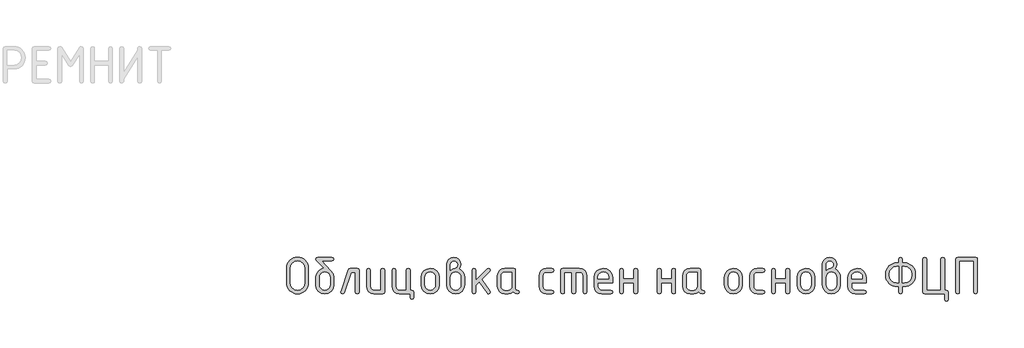
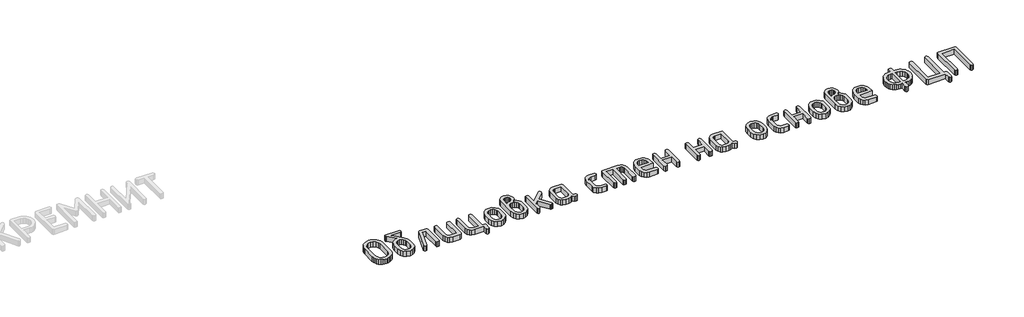
# One storey, part 10 of 33: 1 proxy.
"""IFC4 building model written with IfcOpenShell, lengths in millimetres."""

import ifcopenshell
import ifcopenshell.guid

model = None  # the IFC model being written
_history = None  # IfcOwnerHistory: only IFC2X3 demands one
_inside = {}  # id of a spatial element -> (the spatial element, [elements in it])
_under = {}  # id of a project, library or spatial element -> (it, [spatial elements below it])
_declared = {}  # id of a project -> (the project, [libraries it declares])
_typed = {}  # id of a type object -> (the type object, [elements of that type])
_made_of = {}  # id of a material, layer set ... -> (it, [elements and type objects made of it])


def new_model(schema):
    """Start an empty IFC model of exactly this schema.

    Asked for "IFC4X3", IfcOpenShell would pick the latest addendum, in which some entities
    have other attributes; the version numbers below select the first issue.
    IFC2X3 requires an IfcOwnerHistory on every rooted entity: one is made here for all.
    """
    global model, _history
    if schema == "IFC4X3":
        model = ifcopenshell.file(schema_version=(4, 3, 0, 0))
    else:
        model = ifcopenshell.file(schema=schema)
    _inside.clear()
    _under.clear()
    _declared.clear()
    _typed.clear()
    _made_of.clear()
    _history = None
    if model.schema == "IFC2X3":
        org = make("IfcOrganization", Name="unknown")
        user = make(
            "IfcPersonAndOrganization",
            ThePerson=make("IfcPerson", FamilyName="unknown"),
            TheOrganization=org,
        )
        app = make(
            "IfcApplication",
            ApplicationDeveloper=org,
            Version="unknown",
            ApplicationFullName="unknown",
            ApplicationIdentifier="unknown",
        )
        _history = make(
            "IfcOwnerHistory",
            OwningUser=user,
            OwningApplication=app,
            ChangeAction="ADDED",
            CreationDate=0,
        )
    return model


def make(cls, **values):
    """One entity of the class cls with the attributes given. An attribute that is None is left unset."""
    return model.create_entity(
        cls, **{name: value for name, value in values.items() if value is not None}
    )


def rooted(cls, **values):
    """An entity with a GlobalId (a new one), such as an element, a storey or a relation."""
    return make(cls, GlobalId=ifcopenshell.guid.new(), OwnerHistory=_history, **values)


def si_unit(unit_type, name, prefix=None):
    """IfcSIUnit, for example si_unit("LENGTHUNIT", "METRE", prefix="MILLI")."""
    return make("IfcSIUnit", UnitType=unit_type, Prefix=prefix, Name=name)


def assignment(units):
    """IfcUnitAssignment: the units of a project."""
    return None if units is None else make("IfcUnitAssignment", Units=units)


def point(xyz):
    """IfcCartesianPoint."""
    return None if xyz is None else make("IfcCartesianPoint", Coordinates=xyz)


def direction(xyz):
    """IfcDirection."""
    return None if xyz is None else make("IfcDirection", DirectionRatios=xyz)


def frame(location, z_axis=None, x_axis=None):
    """IfcAxis2Placement3D, a coordinate frame: its origin and axes. An axis left out is left unset."""
    return make(
        "IfcAxis2Placement3D",
        Location=point(location),
        Axis=direction(z_axis),
        RefDirection=direction(x_axis),
    )


def origin():
    """The frame at (0, 0, 0) with its axes left unset."""
    return frame((0.0, 0.0, 0.0))


def origin_with_axes():
    """The frame at (0, 0, 0) with the z axis (0, 0, 1) and the x axis (1, 0, 0) written out."""
    return frame((0.0, 0.0, 0.0), z_axis=(0.0, 0.0, 1.0), x_axis=(1.0, 0.0, 0.0))


def place(relative_to, where):
    """IfcLocalPlacement: puts the frame where relative to a parent placement (None: the world)."""
    return make(
        "IfcLocalPlacement", PlacementRelTo=relative_to, RelativePlacement=where
    )


def context(
    kind, dimensions, precision=None, world=None, true_north=None, identifier=None
):
    """IfcGeometricRepresentationContext, for example the 3D "Model" context."""
    return make(
        "IfcGeometricRepresentationContext",
        ContextIdentifier=identifier,
        ContextType=kind,
        CoordinateSpaceDimension=dimensions,
        Precision=precision,
        WorldCoordinateSystem=world,
        TrueNorth=true_north,
    )


def project(units=None, contexts=None):
    """IfcProject with its units and contexts."""
    return rooted(
        "IfcProject",
        Name="project",
        RepresentationContexts=contexts,
        UnitsInContext=assignment(units),
    )


def spatial(cls, under=None, at=None, **own):
    """A site, building, storey or space (cls), placed at a placement, below another one or the project."""
    s = rooted(cls, ObjectPlacement=at, **own)
    if under is not None:
        _under.setdefault(under.id(), (under, []))[1].append(s)
    return s


def polyline(points):
    """IfcPolyline through the points."""
    return make("IfcPolyline", Points=[point(p) for p in points])


def outline(outer, holes=None, kind="AREA"):
    """IfcArbitraryClosedProfileDef: a profile drawn as a closed curve; with holes, ...WithVoids."""
    if holes is None:
        return make("IfcArbitraryClosedProfileDef", ProfileType=kind, OuterCurve=outer)
    return make(
        "IfcArbitraryProfileDefWithVoids",
        ProfileType=kind,
        OuterCurve=outer,
        InnerCurves=holes,
    )


def extrude(swept, where, along, depth):
    """IfcExtrudedAreaSolid: the profile swept, set in the frame where, extruded along a direction by depth."""
    return make(
        "IfcExtrudedAreaSolid",
        SweptArea=swept,
        Position=where,
        ExtrudedDirection=direction(along),
        Depth=depth,
    )


def shape(context_of_items, identifier, shape_type, items):
    """IfcShapeRepresentation: the items that make up one representation, for example the "Body"."""
    return make(
        "IfcShapeRepresentation",
        ContextOfItems=context_of_items,
        RepresentationIdentifier=identifier,
        RepresentationType=shape_type,
        Items=items,
    )


def made_of(thing, what):
    """Note that an element or type object is made of a material, layer set ...; save() writes the relation."""
    if what is not None:
        _made_of.setdefault(what.id(), (what, []))[1].append(thing)
    return thing


def element(
    cls,
    number,
    at=None,
    inside=None,
    cuts=None,
    type_object=None,
    material=None,
    context=None,
    identifier="Body",
    shape_type=None,
    held_by="IfcProductDefinitionShape",
    body=None,
    shapes=None,
    **own,
):
    """One element of the class cls, such as IfcWall. Its Tag is "e" and its number.

    at: its placement. inside: the storey or other place that contains it. cuts: it is an
    opening in that element (IfcRelVoidsElement). A single representation is given by context,
    identifier, shape_type and body (its items); several are given by shapes. held_by: the class
    of the entity that holds the representations. save() writes the other relations.
    """
    e = rooted(cls, Tag="e%d" % number, ObjectPlacement=at, **own)
    if body is not None:
        shapes = [shape(context, identifier, shape_type, body)]
    if shapes is not None:
        e.Representation = make(held_by, Representations=shapes)
    if inside is not None:
        _inside.setdefault(inside.id(), (inside, []))[1].append(e)
    if cuts is not None:
        rooted(
            "IfcRelVoidsElement", RelatingBuildingElement=cuts, RelatedOpeningElement=e
        )
    if type_object is not None:
        _typed.setdefault(type_object.id(), (type_object, []))[1].append(e)
    return made_of(e, material)


def aggregate(whole, parts):
    """IfcRelAggregates: a whole, such as a stair, and the parts it consists of."""
    return rooted("IfcRelAggregates", RelatingObject=whole, RelatedObjects=parts)


def save(model, path):
    """Write the relations noted so far, then the file.

    IfcRelAggregates (storeys below a building ...), IfcRelContainedInSpatialStructure (elements
    in a storey), IfcRelDefinesByType, IfcRelAssociatesMaterial and IfcRelDeclares: one each for
    every whole, place, type object, material and project.
    """
    for whole, parts in _under.values():
        aggregate(whole, parts)
    for where, things in _inside.values():
        rooted(
            "IfcRelContainedInSpatialStructure",
            RelatedElements=things,
            RelatingStructure=where,
        )
    for kind, things in _typed.values():
        rooted("IfcRelDefinesByType", RelatedObjects=things, RelatingType=kind)
    for what, things in _made_of.values():
        rooted("IfcRelAssociatesMaterial", RelatedObjects=things, RelatingMaterial=what)
    for by, libraries in _declared.values():
        rooted("IfcRelDeclares", RelatingContext=by, RelatedDefinitions=libraries)
    model.write(path)


model = new_model("IFC4")

# Units and contexts
model_context = context("Model", 3, world=origin())
ifc_project = project(units=[si_unit("LENGTHUNIT", "METRE", prefix="MILLI")], contexts=[model_context])

# Site, building, storey
site = spatial("IfcSite", under=ifc_project)
building = spatial("IfcBuilding", under=site)
storey = spatial("IfcBuildingStorey", under=building, Elevation=0.0)

# Proxy
placement = place(None, origin())
element("IfcBuildingElementProxy", 1, Name="Generic Models", at=placement, inside=storey, context=model_context, shape_type="SweptSolid", body=[
    extrude(outline(polyline([(7416.5624261, -12574.4677826), (7414.9080302, -12592.7014441), (7409.9448427, -12609.5530798), (7401.6728635, -12625.0226897), (7390.0920926, -12639.1102738), (7376.1709568, -12650.8322736), (7360.8778831, -12659.2051306), (7344.2128713, -12664.2288448), (7326.1759215, -12665.9034162), (7308.1389717, -12664.2288448), (7291.47396, -12659.2051306), (7276.1808862, -12650.8322736), (7262.2597505, -12639.1102738), (7250.6789796, -12625.0226897), (7242.4070004, -12609.5530798), (7237.4438128, -12592.7014441), (7235.789417, -12574.4677826), (7235.789417, -12452.607406), (7237.4438128, -12434.3737445), (7242.4070004, -12417.5221088), (7250.6789796, -12402.0524989), (7262.2597505, -12387.9649148), (7276.1808862, -12376.242915), (7291.47396, -12367.870058), (7308.1389717, -12362.8463438), (7326.1759215, -12361.1717724), (7344.3112272, -12362.8387779), (7361.0291998, -12367.8397946), (7376.3298394, -12376.1748225), (7390.2131459, -12387.8438614), (7401.740956, -12401.8936164), (7409.975106, -12417.3707921), (7414.9155961, -12434.2753886), (7416.5624261, -12452.607406), (7416.5624261, -12574.4677826)]), holes=[polyline([(7385.5727674, -12574.2256759), (7385.5727674, -12452.8495127), (7381.2652855, -12429.3248108), (7368.3428399, -12409.7545186), (7349.1861466, -12396.5597029), (7326.1759215, -12392.1614311), (7303.1656964, -12396.5597029), (7284.0090031, -12409.7545186), (7271.0865575, -12429.3248108), (7266.7790757, -12452.8495127), (7266.7790757, -12574.2256759), (7271.0865575, -12597.7503778), (7284.0090031, -12617.3206701), (7303.1656964, -12630.5154857), (7326.1759215, -12634.9137575), (7349.1861466, -12630.5154857), (7368.3428399, -12617.3206701), (7381.2652855, -12597.7503778), (7385.5727674, -12574.2256759)])]), origin_with_axes(), (0.0, 0.0, 1.0), 50.0),
    extrude(outline(polyline([(7628.3250938, -12529.0324237), (7628.3250938, -12589.8819097), (7622.8474296, -12619.106207), (7606.4144367, -12643.6699502), (7582.2138536, -12660.3450497), (7553.4334187, -12665.9034162), (7524.6529837, -12660.3349619), (7500.4524006, -12643.6295991), (7484.0194077, -12619.015417), (7478.5417435, -12589.7205053), (7478.5417435, -12528.7903169), (7481.1343028, -12507.3588293), (7488.9119808, -12488.9839389), (7501.8747775, -12473.6656457), (7520.0226929, -12461.4039497), (7535.7394534, -12454.8065419), (7550.2860314, -12452.607406), (7483.7066866, -12385.6245499), (7478.5417435, -12376.6666017), (7482.2742219, -12365.0454797), (7493.4716572, -12361.1717724), (7613.3951801, -12361.1717724), (7624.5926154, -12365.0454797), (7628.3250938, -12376.6666017), (7624.5926154, -12388.2877237), (7613.3951801, -12392.1614311), (7528.4157254, -12392.1614311), (7603.791614, -12472.5408583), (7622.1917239, -12499.8182142), (7628.3250938, -12529.0324237)]), holes=[polyline([(7597.3354351, -12589.3976963), (7597.3354351, -12528.7903169), (7594.1174335, -12511.3586339), (7584.4634285, -12496.6708269), (7570.2699227, -12486.6839252), (7553.4334187, -12483.354958), (7536.5969146, -12486.6839252), (7522.4034088, -12496.6708269), (7512.7494038, -12511.3586339), (7509.5314022, -12528.7903169), (7509.5314022, -12589.3976963), (7512.7191405, -12606.9907838), (7522.2823555, -12621.6785908), (7536.4455979, -12631.6049659), (7553.4334187, -12634.9137575), (7570.2699227, -12631.5847903), (7584.4634285, -12621.5978886), (7594.1174335, -12606.889906), (7597.3354351, -12589.3976963)])]), origin_with_axes(), (0.0, 0.0, 1.0), 50.0),
    extrude(outline(polyline([(7763.6627439, -12454.1407485), (7824.5929323, -12454.1407485), (7836.2140543, -12457.913578), (7840.0877616, -12469.2320666), (7840.0877616, -12650.8120981), (7836.2140543, -12662.1305867), (7824.5929323, -12665.9034162), (7812.9718103, -12662.1305867), (7809.0981029, -12650.8120981), (7809.0981029, -12485.1304072), (7774.4768436, -12485.1304072), (7717.3396604, -12655.6542322), (7712.0334883, -12663.3411202), (7703.0553646, -12665.9034162), (7691.6763493, -12662.07006), (7687.8833442, -12650.5699914), (7688.6096643, -12645.9699639), (7748.4907235, -12466.4881906), (7754.3819868, -12457.227609), (7763.6627439, -12454.1407485)])), origin_with_axes(), (0.0, 0.0, 1.0), 50.0),
    extrude(outline(polyline([(8051.8504294, -12469.2320666), (8051.8504294, -12650.8120981), (8048.0977754, -12662.1305867), (8036.8398135, -12665.9034162), (7961.9481383, -12665.9034162), (7938.7260698, -12661.5253199), (7919.4180598, -12648.391031), (7906.4048242, -12628.8812654), (7902.067079, -12605.3767391), (7902.067079, -12469.2320666), (7905.9407864, -12457.913578), (7917.5619084, -12454.1407485), (7929.1830304, -12457.913578), (7933.0567377, -12469.2320666), (7933.0567377, -12604.8118234), (7935.2155225, -12616.2412776), (7941.691877, -12625.9961604), (7951.1743897, -12632.6843583), (7962.3516495, -12634.9137575), (8020.8607707, -12634.9137575), (8020.8607707, -12469.2320666), (8024.734478, -12457.913578), (8036.3556, -12454.1407485), (8047.9767221, -12457.913578), (8051.8504294, -12469.2320666)])), origin_with_axes(), (0.0, 0.0, 1.0), 50.0),
    extrude(outline(polyline([(8279.1079265, -12634.9137575), (8290.7290485, -12638.7874649), (8294.6027559, -12650.4085869), (8294.6027559, -12696.8930749), (8290.7290485, -12708.514197), (8279.1079265, -12712.3879043), (8267.4868045, -12708.514197), (8263.6130972, -12696.8930749), (8263.6130972, -12665.9034162), (8173.710806, -12665.9034162), (8150.4887376, -12661.4950566), (8131.1807276, -12648.2699776), (8118.167492, -12628.7299487), (8113.8297468, -12605.3767391), (8113.8297468, -12469.2320666), (8117.7034541, -12457.913578), (8129.3245761, -12454.1407485), (8140.9456982, -12457.913578), (8144.8194055, -12469.2320666), (8144.8194055, -12604.8118234), (8146.9781903, -12616.2412776), (8153.4545448, -12625.9961604), (8162.9370575, -12632.6843583), (8174.1143172, -12634.9137575), (8232.6234385, -12634.9137575), (8232.6234385, -12469.2320666), (8236.4971458, -12457.913578), (8248.1182678, -12454.1407485), (8259.7393898, -12457.913578), (8263.6130972, -12469.2320666), (8263.6130972, -12634.9137575), (8279.1079265, -12634.9137575)])), origin_with_axes(), (0.0, 0.0, 1.0), 50.0),
    extrude(outline(polyline([(8356.5820733, -12590.2854209), (8356.5820733, -12529.7587438), (8362.0597375, -12500.6857632), (8378.4927304, -12476.2531612), (8402.6933135, -12459.6688516), (8431.4737485, -12454.1407485), (8460.5568168, -12459.608325), (8484.6968732, -12476.0110545), (8500.948286, -12500.3831298), (8506.3654236, -12529.7587438), (8506.3654236, -12590.2854209), (8500.8877594, -12619.3584015), (8484.4547665, -12643.7910035), (8460.2541834, -12660.3753131), (8431.4737485, -12665.9034162), (8402.6933135, -12660.3753131), (8378.4927304, -12643.7910035), (8362.0597375, -12619.3584015), (8356.5820733, -12590.2854209)]), holes=[polyline([(8475.3757649, -12589.3976963), (8475.3757649, -12528.7903169), (8472.1577633, -12511.3586339), (8462.5037583, -12496.6708269), (8448.3102525, -12486.6839252), (8431.4737485, -12483.354958), (8414.6372444, -12486.6839252), (8400.4437386, -12496.6708269), (8390.7897336, -12511.3586339), (8387.571732, -12528.7903169), (8387.571732, -12589.3976963), (8390.7594703, -12606.9907838), (8400.3226853, -12621.6785908), (8414.4859277, -12631.6049659), (8431.4737485, -12634.9137575), (8448.3102525, -12631.5847903), (8462.5037583, -12621.5978886), (8472.1577633, -12606.889906), (8475.3757649, -12589.3976963)])]), origin_with_axes(), (0.0, 0.0, 1.0), 50.0),
    extrude(outline(polyline([(8673.1769459, -12458.8214782), (8691.7081968, -12470.2105812), (8705.9824049, -12486.784803), (8715.0916698, -12506.869572), (8718.1280914, -12528.7903169), (8718.1280914, -12589.7205053), (8712.6504271, -12619.1667337), (8696.2174343, -12643.7506524), (8672.0168512, -12660.3652253), (8643.2364162, -12665.9034162), (8614.3046646, -12660.3349619), (8590.1343448, -12643.6295991), (8573.792142, -12619.015417), (8568.344741, -12589.7205053), (8568.344741, -12422.1019607), (8572.6723985, -12398.4965566), (8585.6553707, -12378.8455621), (8604.8322396, -12365.5902198), (8627.7415869, -12361.1717724), (8650.751812, -12365.6204831), (8669.9085053, -12378.9666154), (8682.8309509, -12398.6478733), (8687.1384327, -12422.1019607), (8683.648061, -12442.8222598), (8673.1769459, -12458.8214782)]), holes=[polyline([(8687.1384327, -12589.3976963), (8687.1384327, -12528.7903169), (8683.9506944, -12511.3586339), (8674.3874794, -12496.6708269), (8660.224237, -12486.6839252), (8643.2364162, -12483.354958), (8626.2485955, -12486.6839252), (8612.0853531, -12496.6708269), (8602.5221381, -12511.3586339), (8599.3343997, -12528.7903169), (8599.3343997, -12589.3976963), (8602.5221381, -12606.9907838), (8612.0853531, -12621.6785908), (8626.2485955, -12631.6049659), (8643.2364162, -12634.9137575), (8660.224237, -12631.5847903), (8674.3874794, -12621.5978886), (8683.9506944, -12606.889906), (8687.1384327, -12589.3976963)]), polyline([(8599.3343997, -12468.9092577), (8617.8152118, -12457.5907691), (8634.6819792, -12453.8179395), (8643.7609808, -12451.1749413), (8652.1136622, -12443.2459466), (8657.9847499, -12433.3800982), (8659.9417791, -12423.4738987), (8657.7628187, -12411.6711967), (8651.2259376, -12401.9264016), (8641.460967, -12395.3895205), (8629.5977383, -12393.2105601), (8617.946353, -12395.4197839), (8608.1712946, -12402.047455), (8601.5436235, -12411.8225134), (8599.3343997, -12423.4738987), (8599.3343997, -12468.9092577)])]), origin_with_axes(), (0.0, 0.0, 1.0), 50.0),
    extrude(outline(polyline([(8811.0970675, -12553.5659035), (8906.3257062, -12458.4986692), (8917.1398059, -12454.1407485), (8928.5188212, -12457.913578), (8932.3118263, -12469.2320666), (8927.7117988, -12479.8040596), (8861.132454, -12546.3027022), (8929.3258435, -12642.0962566), (8932.3118263, -12650.9735025), (8928.5188212, -12662.1709378), (8917.1398059, -12665.9034162), (8909.997658, -12664.2893715), (8904.550257, -12659.4472373), (8839.3428502, -12567.8501993), (8811.0970675, -12596.0959819), (8811.0970675, -12650.7313958), (8807.2233602, -12662.1104111), (8795.6022382, -12665.9034162), (8783.9811162, -12662.1305867), (8780.1074088, -12650.8120981), (8780.1074088, -12469.2320666), (8783.9811162, -12457.913578), (8795.6022382, -12454.1407485), (8807.2233602, -12457.913578), (8811.0970675, -12469.2320666), (8811.0970675, -12553.5659035)])), origin_with_axes(), (0.0, 0.0, 1.0), 50.0),
    extrude(outline(polyline([(9171.9167655, -12650.8120981), (9168.143936, -12662.1305867), (9156.8254474, -12665.9034162), (9137.6788418, -12661.88848), (9122.3655925, -12649.8436712), (9103.9453071, -12661.88848), (9081.7723677, -12665.9034162), (9051.7511359, -12665.9034162), (9028.5290674, -12661.5253199), (9009.2210574, -12648.391031), (8996.2078218, -12628.8812654), (8991.8700766, -12605.3767391), (8991.8700766, -12514.6674256), (8996.2078218, -12491.1628993), (9009.2210574, -12471.6531337), (9028.5290674, -12458.5188448), (9051.7511359, -12454.1407485), (9126.642811, -12454.1407485), (9137.900773, -12457.913578), (9141.653427, -12469.2320666), (9141.653427, -12620.5487595), (9145.4363443, -12631.8672481), (9156.7850963, -12635.6400777), (9168.1338482, -12639.4330828), (9171.9167655, -12650.8120981)]), holes=[polyline([(9110.6637683, -12485.1304072), (9052.154647, -12485.1304072), (9040.8765095, -12487.3194553), (9031.4141723, -12493.8865998), (9024.9983446, -12503.5607804), (9022.8597353, -12515.0709368), (9022.8597353, -12604.9732279), (9025.0185201, -12616.3825066), (9031.4948746, -12626.0768627), (9040.9773873, -12632.7045338), (9052.154647, -12634.9137575), (9081.3688565, -12634.9137575), (9092.646994, -12632.7247094), (9102.1093312, -12626.1575649), (9108.525159, -12616.4833844), (9110.6637683, -12604.9732279), (9110.6637683, -12485.1304072)])]), origin_with_axes(), (0.0, 0.0, 1.0), 50.0),
    extrude(outline(polyline([(9368.9109241, -12515.0709368), (9368.9109241, -12604.9732279), (9371.1504112, -12616.3825066), (9377.8688723, -12626.0768627), (9387.674194, -12632.7045338), (9399.1742627, -12634.9137575), (9444.6903239, -12634.9137575), (9456.0088125, -12638.7874649), (9459.7816421, -12650.4085869), (9456.0088125, -12662.0297089), (9444.6903239, -12665.9034162), (9399.1742627, -12665.9034162), (9375.6293853, -12661.5253199), (9355.8371618, -12648.391031), (9342.4002395, -12628.8812654), (9337.9212654, -12605.3767391), (9337.9212654, -12514.6674256), (9342.4002395, -12491.1628993), (9355.8371618, -12471.6531337), (9375.6293853, -12458.5188448), (9399.1742627, -12454.1407485), (9444.6903239, -12454.1407485), (9456.0088125, -12458.0144558), (9459.7816421, -12469.6355778), (9456.0088125, -12481.2566998), (9444.6903239, -12485.1304072), (9399.1742627, -12485.1304072), (9387.5228773, -12487.3194553), (9377.747819, -12493.8865998), (9371.1201478, -12503.5607804), (9368.9109241, -12515.0709368)])), origin_with_axes(), (0.0, 0.0, 1.0), 50.0),
    extrude(outline(polyline([(9534.1891038, -12454.1407485), (9673.642568, -12454.1407485), (9697.5304299, -12458.5491081), (9717.5445845, -12471.7741871), (9731.1025601, -12491.314216), (9735.6218854, -12514.6674256), (9735.6218854, -12650.8120981), (9731.748178, -12662.1305867), (9720.127056, -12665.9034162), (9708.505934, -12662.1305867), (9704.6322267, -12650.8120981), (9704.6322267, -12515.2323413), (9702.4028274, -12503.5002537), (9695.7146296, -12493.8058976), (9685.7378156, -12487.2992798), (9673.642568, -12485.1304072), (9642.6529093, -12485.1304072), (9642.6529093, -12650.8120981), (9638.7792019, -12662.1305867), (9627.1580799, -12665.9034162), (9615.5369579, -12662.1305867), (9611.6632506, -12650.8120981), (9611.6632506, -12485.1304072), (9549.6839332, -12485.1304072), (9549.6839332, -12650.8120981), (9545.8102258, -12662.1305867), (9534.1891038, -12665.9034162), (9522.5679818, -12662.1305867), (9518.6942745, -12650.8120981), (9518.6942745, -12469.2320666), (9522.5679818, -12457.913578), (9534.1891038, -12454.1407485)])), origin_with_axes(), (0.0, 0.0, 1.0), 50.0),
    extrude(outline(polyline([(9828.5908615, -12572.9344401), (9828.5908615, -12603.9240988), (9830.8303485, -12615.7167131), (9837.5488097, -12625.7540537), (9847.3541314, -12632.6238316), (9858.8542, -12634.9137575), (9934.6335998, -12634.9137575), (9946.0126151, -12638.7874649), (9949.8056202, -12650.4085869), (9946.0126151, -12662.0297089), (9934.6335998, -12665.9034162), (9858.8542, -12665.9034162), (9835.3093226, -12661.5253199), (9815.5170992, -12648.391031), (9802.0801769, -12628.8812654), (9797.6012028, -12605.3767391), (9797.6012028, -12529.7587438), (9803.220096, -12500.6857632), (9820.0767756, -12476.2531612), (9844.8019232, -12459.6688516), (9874.0262204, -12454.1407485), (9903.4724489, -12459.5074472), (9927.8949631, -12475.6075433), (9944.327956, -12499.5357563), (9949.8056202, -12528.3868058), (9949.8056202, -12572.9344401), (9828.5908615, -12572.9344401)]), holes=[polyline([(9874.0262204, -12481.3374021), (9856.5945374, -12484.6663693), (9841.9067304, -12494.653271), (9831.9198287, -12509.341078), (9828.5908615, -12526.772761), (9828.5908615, -12541.9447814), (9919.4615794, -12541.9447814), (9919.4615794, -12526.772761), (9916.1326122, -12509.341078), (9906.1457105, -12494.653271), (9891.4579035, -12484.6663693), (9874.0262204, -12481.3374021)])]), origin_with_axes(), (0.0, 0.0, 1.0), 50.0),
    extrude(outline(polyline([(10040.3535292, -12572.9344401), (10040.3535292, -12650.4085869), (10036.4798219, -12662.0297089), (10024.8586999, -12665.9034162), (10013.2375779, -12662.1305867), (10009.3638705, -12650.8120981), (10009.3638705, -12469.2320666), (10013.2375779, -12457.913578), (10024.8586999, -12454.1407485), (10036.4798219, -12457.7925247), (10040.3535292, -12468.7478532), (10040.3535292, -12541.9447814), (10128.1575622, -12541.9447814), (10128.1575622, -12468.7478532), (10132.0312696, -12457.7925247), (10143.6523916, -12454.1407485), (10155.2735136, -12457.913578), (10159.1472209, -12469.2320666), (10159.1472209, -12650.8120981), (10155.2735136, -12662.1305867), (10143.6523916, -12665.9034162), (10132.0312696, -12662.0297089), (10128.1575622, -12650.4085869), (10128.1575622, -12572.9344401), (10040.3535292, -12572.9344401)])), origin_with_axes(), (0.0, 0.0, 1.0), 50.0),
    extrude(outline(polyline([(10355.4150594, -12572.9344401), (10355.4150594, -12650.4085869), (10351.541352, -12662.0297089), (10339.92023, -12665.9034162), (10328.299108, -12662.1305867), (10324.4254007, -12650.8120981), (10324.4254007, -12469.2320666), (10328.299108, -12457.913578), (10339.92023, -12454.1407485), (10351.541352, -12457.7925247), (10355.4150594, -12468.7478532), (10355.4150594, -12541.9447814), (10443.2190923, -12541.9447814), (10443.2190923, -12468.7478532), (10447.0927997, -12457.7925247), (10458.7139217, -12454.1407485), (10470.3350437, -12457.913578), (10474.208751, -12469.2320666), (10474.208751, -12650.8120981), (10470.3350437, -12662.1305867), (10458.7139217, -12665.9034162), (10447.0927997, -12662.0297089), (10443.2190923, -12650.4085869), (10443.2190923, -12572.9344401), (10355.4150594, -12572.9344401)])), origin_with_axes(), (0.0, 0.0, 1.0), 50.0),
    extrude(outline(polyline([(10716.2347574, -12650.8120981), (10712.4619278, -12662.1305867), (10701.1434392, -12665.9034162), (10681.9968337, -12661.88848), (10666.6835844, -12649.8436712), (10648.2632989, -12661.88848), (10626.0903596, -12665.9034162), (10596.0691277, -12665.9034162), (10572.8470592, -12661.5253199), (10553.5390492, -12648.391031), (10540.5258136, -12628.8812654), (10536.1880684, -12605.3767391), (10536.1880684, -12514.6674256), (10540.5258136, -12491.1628993), (10553.5390492, -12471.6531337), (10572.8470592, -12458.5188448), (10596.0691277, -12454.1407485), (10670.9608029, -12454.1407485), (10682.2187648, -12457.913578), (10685.9714188, -12469.2320666), (10685.9714188, -12620.5487595), (10689.7543361, -12631.8672481), (10701.1030881, -12635.6400777), (10712.4518401, -12639.4330828), (10716.2347574, -12650.8120981)]), holes=[polyline([(10654.9817601, -12485.1304072), (10596.4726389, -12485.1304072), (10585.1945014, -12487.3194553), (10575.7321642, -12493.8865998), (10569.3163364, -12503.5607804), (10567.1777271, -12515.0709368), (10567.1777271, -12604.9732279), (10569.3365119, -12616.3825066), (10575.8128664, -12626.0768627), (10585.2953792, -12632.7045338), (10596.4726389, -12634.9137575), (10625.6868484, -12634.9137575), (10636.9649859, -12632.7247094), (10646.4273231, -12626.1575649), (10652.8431508, -12616.4833844), (10654.9817601, -12604.9732279), (10654.9817601, -12485.1304072)])]), origin_with_axes(), (0.0, 0.0, 1.0), 50.0),
    extrude(outline(polyline([(10882.2392572, -12590.2854209), (10882.2392572, -12529.7587438), (10887.7169215, -12500.6857632), (10904.1499144, -12476.2531612), (10928.3504974, -12459.6688516), (10957.1309324, -12454.1407485), (10986.2140008, -12459.608325), (11010.3540572, -12476.0110545), (11026.60547, -12500.3831298), (11032.0226076, -12529.7587438), (11032.0226076, -12590.2854209), (11026.5449433, -12619.3584015), (11010.1119505, -12643.7910035), (10985.9113674, -12660.3753131), (10957.1309324, -12665.9034162), (10928.3504974, -12660.3753131), (10904.1499144, -12643.7910035), (10887.7169215, -12619.3584015), (10882.2392572, -12590.2854209)]), holes=[polyline([(11001.0329489, -12589.3976963), (11001.0329489, -12528.7903169), (10997.8149472, -12511.3586339), (10988.1609422, -12496.6708269), (10973.9674365, -12486.6839252), (10957.1309324, -12483.354958), (10940.2944284, -12486.6839252), (10926.1009226, -12496.6708269), (10916.4469176, -12511.3586339), (10913.2289159, -12528.7903169), (10913.2289159, -12589.3976963), (10916.4166543, -12606.9907838), (10925.9798693, -12621.6785908), (10940.1431117, -12631.6049659), (10957.1309324, -12634.9137575), (10973.9674365, -12631.5847903), (10988.1609422, -12621.5978886), (10997.8149472, -12606.889906), (11001.0329489, -12589.3976963)])]), origin_with_axes(), (0.0, 0.0, 1.0), 50.0),
    extrude(outline(polyline([(11124.9915837, -12515.0709368), (11124.9915837, -12604.9732279), (11127.2310708, -12616.3825066), (11133.9495319, -12626.0768627), (11143.7548536, -12632.7045338), (11155.2549223, -12634.9137575), (11200.7709835, -12634.9137575), (11212.0894721, -12638.7874649), (11215.8623017, -12650.4085869), (11212.0894721, -12662.0297089), (11200.7709835, -12665.9034162), (11155.2549223, -12665.9034162), (11131.7100449, -12661.5253199), (11111.9178214, -12648.391031), (11098.4808991, -12628.8812654), (11094.001925, -12605.3767391), (11094.001925, -12514.6674256), (11098.4808991, -12491.1628993), (11111.9178214, -12471.6531337), (11131.7100449, -12458.5188448), (11155.2549223, -12454.1407485), (11200.7709835, -12454.1407485), (11212.0894721, -12458.0144558), (11215.8623017, -12469.6355778), (11212.0894721, -12481.2566998), (11200.7709835, -12485.1304072), (11155.2549223, -12485.1304072), (11143.6035369, -12487.3194553), (11133.8284786, -12493.8865998), (11127.2008074, -12503.5607804), (11124.9915837, -12515.0709368)])), origin_with_axes(), (0.0, 0.0, 1.0), 50.0),
    extrude(outline(polyline([(11305.7645928, -12572.9344401), (11305.7645928, -12650.4085869), (11301.8908855, -12662.0297089), (11290.2697634, -12665.9034162), (11278.6486414, -12662.1305867), (11274.7749341, -12650.8120981), (11274.7749341, -12469.2320666), (11278.6486414, -12457.913578), (11290.2697634, -12454.1407485), (11301.8908855, -12457.7925247), (11305.7645928, -12468.7478532), (11305.7645928, -12541.9447814), (11393.5686258, -12541.9447814), (11393.5686258, -12468.7478532), (11397.4423331, -12457.7925247), (11409.0634551, -12454.1407485), (11420.6845771, -12457.913578), (11424.5582845, -12469.2320666), (11424.5582845, -12650.8120981), (11420.6845771, -12662.1305867), (11409.0634551, -12665.9034162), (11397.4423331, -12662.0297089), (11393.5686258, -12650.4085869), (11393.5686258, -12572.9344401), (11305.7645928, -12572.9344401)])), origin_with_axes(), (0.0, 0.0, 1.0), 50.0),
    extrude(outline(polyline([(11486.5376019, -12590.2854209), (11486.5376019, -12529.7587438), (11492.0152661, -12500.6857632), (11508.448259, -12476.2531612), (11532.6488421, -12459.6688516), (11561.4292771, -12454.1407485), (11590.5123454, -12459.608325), (11614.6524018, -12476.0110545), (11630.9038146, -12500.3831298), (11636.3209522, -12529.7587438), (11636.3209522, -12590.2854209), (11630.843288, -12619.3584015), (11614.4102951, -12643.7910035), (11590.209712, -12660.3753131), (11561.4292771, -12665.9034162), (11532.6488421, -12660.3753131), (11508.448259, -12643.7910035), (11492.0152661, -12619.3584015), (11486.5376019, -12590.2854209)]), holes=[polyline([(11605.3312935, -12589.3976963), (11605.3312935, -12528.7903169), (11602.1132919, -12511.3586339), (11592.4592869, -12496.6708269), (11578.2657811, -12486.6839252), (11561.4292771, -12483.354958), (11544.592773, -12486.6839252), (11530.3992672, -12496.6708269), (11520.7452622, -12511.3586339), (11517.5272606, -12528.7903169), (11517.5272606, -12589.3976963), (11520.7149989, -12606.9907838), (11530.2782139, -12621.6785908), (11544.4414563, -12631.6049659), (11561.4292771, -12634.9137575), (11578.2657811, -12631.5847903), (11592.4592869, -12621.5978886), (11602.1132919, -12606.889906), (11605.3312935, -12589.3976963)])]), origin_with_axes(), (0.0, 0.0, 1.0), 50.0),
    extrude(outline(polyline([(11803.1324745, -12458.8214782), (11821.6637254, -12470.2105812), (11835.9379335, -12486.784803), (11845.0471984, -12506.869572), (11848.08362, -12528.7903169), (11848.08362, -12589.7205053), (11842.6059557, -12619.1667337), (11826.1729629, -12643.7506524), (11801.9723798, -12660.3652253), (11773.1919448, -12665.9034162), (11744.2601932, -12660.3349619), (11720.0898734, -12643.6295991), (11703.7476706, -12619.015417), (11698.3002696, -12589.7205053), (11698.3002696, -12422.1019607), (11702.6279271, -12398.4965566), (11715.6108993, -12378.8455621), (11734.7877682, -12365.5902198), (11757.6971155, -12361.1717724), (11780.7073406, -12365.6204831), (11799.8640339, -12378.9666154), (11812.7864795, -12398.6478733), (11817.0939613, -12422.1019607), (11813.6035896, -12442.8222598), (11803.1324745, -12458.8214782)]), holes=[polyline([(11729.2899283, -12468.9092577), (11747.7707404, -12457.5907691), (11764.6375078, -12453.8179395), (11773.7165094, -12451.1749413), (11782.0691908, -12443.2459466), (11787.9402785, -12433.3800982), (11789.8973077, -12423.4738987), (11787.7183473, -12411.6711967), (11781.1814662, -12401.9264016), (11771.4164956, -12395.3895205), (11759.5532669, -12393.2105601), (11747.9018816, -12395.4197839), (11738.1268232, -12402.047455), (11731.4991521, -12411.8225134), (11729.2899283, -12423.4738987), (11729.2899283, -12468.9092577)]), polyline([(11817.0939613, -12589.3976963), (11817.0939613, -12528.7903169), (11813.906223, -12511.3586339), (11804.343008, -12496.6708269), (11790.1797656, -12486.6839252), (11773.1919448, -12483.354958), (11756.2041241, -12486.6839252), (11742.0408817, -12496.6708269), (11732.4776667, -12511.3586339), (11729.2899283, -12528.7903169), (11729.2899283, -12589.3976963), (11732.4776667, -12606.9907838), (11742.0408817, -12621.6785908), (11756.2041241, -12631.6049659), (11773.1919448, -12634.9137575), (11790.1797656, -12631.5847903), (11804.343008, -12621.5978886), (11813.906223, -12606.889906), (11817.0939613, -12589.3976963)])]), origin_with_axes(), (0.0, 0.0, 1.0), 50.0),
    extrude(outline(polyline([(11941.0525961, -12572.9344401), (11941.0525961, -12603.9240988), (11943.2920832, -12615.7167131), (11950.0105443, -12625.7540537), (11959.815866, -12632.6238316), (11971.3159347, -12634.9137575), (12047.0953345, -12634.9137575), (12058.4743498, -12638.7874649), (12062.2673549, -12650.4085869), (12058.4743498, -12662.0297089), (12047.0953345, -12665.9034162), (11971.3159347, -12665.9034162), (11947.7710573, -12661.5253199), (11927.9788339, -12648.391031), (11914.5419115, -12628.8812654), (11910.0629374, -12605.3767391), (11910.0629374, -12529.7587438), (11915.6818306, -12500.6857632), (11932.5385102, -12476.2531612), (11957.2636578, -12459.6688516), (11986.4879551, -12454.1407485), (12015.9341835, -12459.5074472), (12040.3566978, -12475.6075433), (12056.7896906, -12499.5357563), (12062.2673549, -12528.3868058), (12062.2673549, -12572.9344401), (11941.0525961, -12572.9344401)]), holes=[polyline([(11986.4879551, -12481.3374021), (11969.0562721, -12484.6663693), (11954.3684651, -12494.653271), (11944.3815634, -12509.341078), (11941.0525961, -12526.772761), (11941.0525961, -12541.9447814), (12031.9233141, -12541.9447814), (12031.9233141, -12526.772761), (12028.5943468, -12509.341078), (12018.6074451, -12494.653271), (12003.9196381, -12484.6663693), (11986.4879551, -12481.3374021)])]), origin_with_axes(), (0.0, 0.0, 1.0), 50.0),
    extrude(outline(polyline([(12364.5779317, -12603.9240988), (12364.5779317, -12650.4085869), (12360.7042243, -12662.0297089), (12349.0831023, -12665.9034162), (12337.4619803, -12662.0297089), (12333.588273, -12650.4085869), (12333.588273, -12603.9240988), (12318.0934436, -12603.9240988), (12299.4512271, -12602.2596152), (12282.2616508, -12597.2661644), (12266.5247147, -12588.9437463), (12252.2404189, -12577.2923609), (12240.3771902, -12563.3106985), (12231.9034554, -12547.9974492), (12226.8192145, -12531.3526129), (12225.1244675, -12513.3761898), (12225.1244675, -12498.2041694), (12226.8343462, -12480.0638199), (12231.963982, -12463.3307156), (12240.5133752, -12448.0048566), (12252.4825256, -12434.0862428), (12266.8424797, -12422.5231255), (12282.5642841, -12414.263756), (12299.6479388, -12409.3081343), (12318.0934436, -12407.6562604), (12333.588273, -12407.6562604), (12333.588273, -12376.6666017), (12337.4619803, -12365.0454797), (12349.0831023, -12361.1717724), (12360.7042243, -12365.0454797), (12364.5779317, -12376.6666017), (12364.5779317, -12407.6562604), (12380.072761, -12407.6562604), (12398.7149776, -12409.3157001), (12415.9045539, -12414.2940193), (12431.6414899, -12422.591218), (12445.9257858, -12434.2072961), (12457.7890145, -12448.1637391), (12466.2627493, -12463.4820323), (12471.3469902, -12480.1621757), (12473.0417371, -12498.2041694), (12473.0417371, -12513.3761898), (12471.3318585, -12531.5165394), (12466.2022226, -12548.2496436), (12457.6528295, -12563.5755027), (12445.683679, -12577.4941165), (12431.3237249, -12589.0572338), (12415.6019205, -12597.3166033), (12398.5182659, -12602.2722249), (12380.072761, -12603.9240988), (12364.5779317, -12603.9240988)]), holes=[polyline([(12364.5779317, -12572.9344401), (12380.072761, -12572.9344401), (12404.1119396, -12568.5866072), (12424.0958309, -12555.5431082), (12437.5630165, -12536.2653616), (12442.0520784, -12513.2147854), (12442.0520784, -12498.3655739), (12437.5327532, -12475.2141199), (12423.9747775, -12455.9565488), (12403.9606229, -12442.9735765), (12380.072761, -12438.6459191), (12364.5779317, -12438.6459191), (12364.5779317, -12572.9344401)]), polyline([(12333.588273, -12572.9344401), (12333.588273, -12438.6459191), (12318.0934436, -12438.6459191), (12294.054265, -12442.9937521), (12274.0703738, -12456.037251), (12260.6031881, -12475.3149977), (12256.1141262, -12498.3655739), (12256.1141262, -12513.2147854), (12260.6334515, -12536.3662394), (12274.1914271, -12555.6238105), (12294.2055817, -12568.6067827), (12318.0934436, -12572.9344401), (12333.588273, -12572.9344401)])]), origin_with_axes(), (0.0, 0.0, 1.0), 50.0),
    extrude(outline(polyline([(12715.7940636, -12665.9034162), (12550.1123727, -12665.9034162), (12538.7938841, -12662.0902356), (12535.0210545, -12650.6506936), (12535.0210545, -12376.424495), (12538.8947619, -12364.984953), (12550.5158839, -12361.1717724), (12562.1370059, -12364.9647775), (12566.0107132, -12376.3437928), (12566.0107132, -12634.9137575), (12684.8044049, -12634.9137575), (12684.8044049, -12376.3437928), (12688.6781122, -12364.9647775), (12700.2992342, -12361.1717724), (12711.9203563, -12364.9647775), (12715.7940636, -12376.3437928), (12715.7940636, -12634.9137575), (12731.2888929, -12634.9137575), (12742.910015, -12638.7874649), (12746.7837223, -12650.4085869), (12746.7837223, -12712.3879043), (12742.910015, -12724.0090263), (12731.2888929, -12727.8827336), (12719.6677709, -12724.0090263), (12715.7940636, -12712.3879043), (12715.7940636, -12665.9034162)])), origin_with_axes(), (0.0, 0.0, 1.0), 50.0),
    extrude(outline(polyline([(12823.8543579, -12361.1717724), (12974.4447306, -12361.1717724), (12985.7632192, -12364.984953), (12989.5360488, -12376.424495), (12989.5360488, -12650.6506936), (12985.6623414, -12662.0902356), (12974.0412194, -12665.9034162), (12962.4200974, -12662.1104111), (12958.5463901, -12650.7313958), (12958.5463901, -12392.1614311), (12839.7526984, -12392.1614311), (12839.7526984, -12650.7313958), (12835.8789911, -12662.1104111), (12824.257869, -12665.9034162), (12812.636747, -12662.0902356), (12808.7630397, -12650.6506936), (12808.7630397, -12376.424495), (12812.5358692, -12364.984953), (12823.8543579, -12361.1717724)])), origin_with_axes(), (0.0, 0.0, 1.0), 50.0),
])

save(model, "model.ifc")
